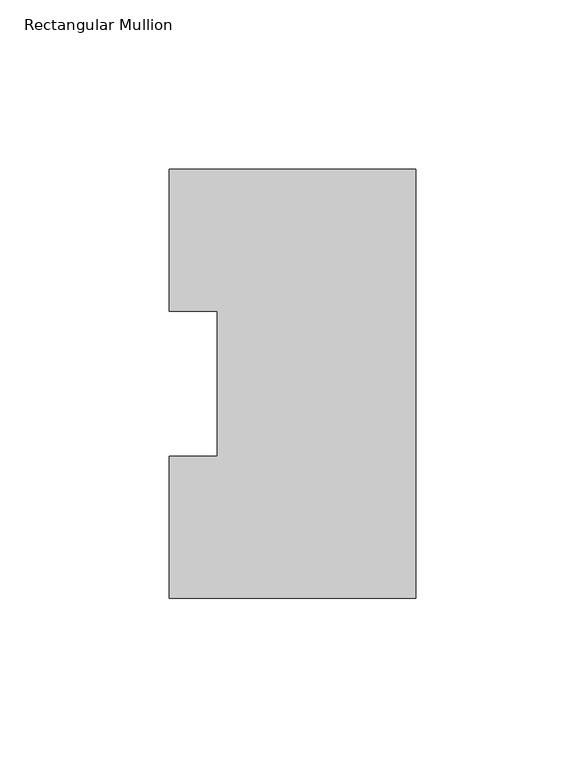
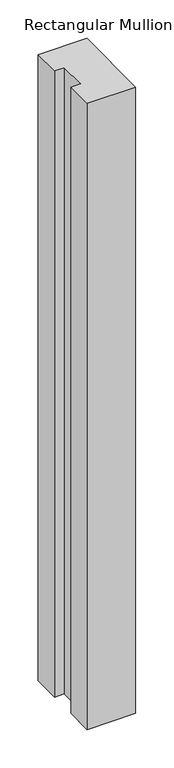
"""IFC4 building model written with IfcOpenShell, lengths in millimetres: member geometry, Rectangular Mullion."""

from ifc_helpers import new_model, si_unit, frame, origin, place, context, project, spatial, polyline, outline, extrude, source, transform, mapped, element, save


def rectangular_mullion_0e70e844(model_context):
    return source(origin(), model_context, "Body", "SweptSolid", [
        extrude(outline(polyline([(0.0, 127.006348), (0.0, 0.0063465), (-73.025, 0.0063465), (-73.025, 42.0814491), (-58.7375, 42.0814491), (-58.7375, 84.93125), (-73.025, 84.93125), (-73.025, 127.006348), (0.0, 127.006348)])), frame((0.0, 0.0, -993.775), z_axis=(0.0, 0.0, 1.0), x_axis=(1.0, 0.0, 0.0)), (0.0, 0.0, 1.0), 993.775),
    ])


if __name__ == "__main__":
    model = new_model("IFC4")
    model_context = context("Model", 3, world=origin())
    ifc_project = project(units=[si_unit("LENGTHUNIT", "METRE", prefix="MILLI")], contexts=[model_context])
    site = spatial("IfcSite", under=ifc_project)
    building = spatial("IfcBuilding", under=site)
    placement = place(None, origin())
    rectangular_mullion_shape = rectangular_mullion_0e70e844(model_context)
    element("IfcMember", 1, ObjectType="Rectangular Mullion", at=placement, inside=building, context=model_context, shape_type="MappedRepresentation", body=[
        mapped(rectangular_mullion_shape, transform((0.0, 0.0, 0.0), x_axis=(1.0, 0.0, 0.0), y_axis=(0.0, 1.0, 0.0), z_axis=(0.0, 0.0, 1.0))),
    ])
    save(model, "model.ifc")
